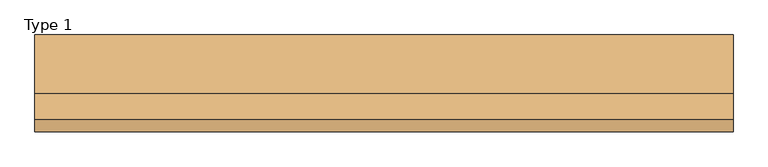
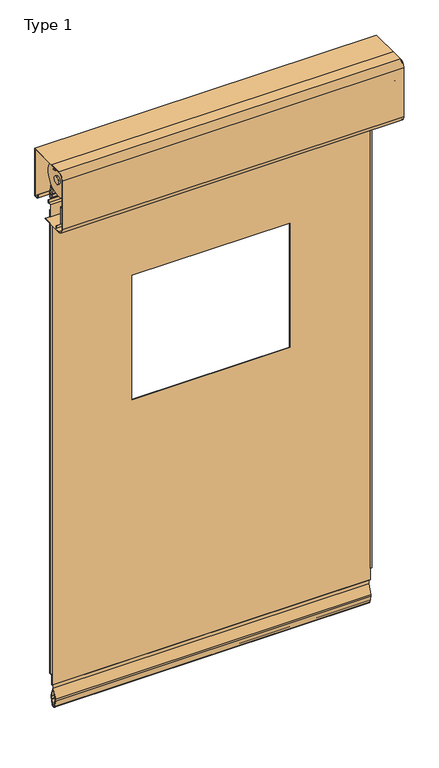
"""IFC4 building model written with IfcOpenShell, lengths in millimetres: door geometry, Type 1."""

from ifc_helpers import new_model, si_unit, point, frame, frame_2d, origin, place, context, project, spatial, polyline, circle_curve, trimmed, segment, composite_curve, outline, extrude, faceted_brep, source, transform, mapped, element, save
from ifc_brep_helpers import plane_surface, cylinder_surface, revolved_surface, advanced_brep


def type_1_1fddd1e6(model_context):
    return source(origin(), model_context, "Body", "SolidModel", [
        advanced_brep(
        [(647.7, -194.5, 2001.0), (647.7, -216.5, 2023.0), (647.7, -216.5, 2025.0), (647.7, -214.2, 2025.0), (647.7, -214.2, 2216.0), (647.7, -216.5, 2216.0), (647.7, -216.5, 2218.7), (647.7, -200.8030296, 2240.0), (647.7, -165.0, 2240.0), (647.7, -165.0, 2237.7), (647.7, -40.8, 2237.7), (647.7, -40.8, 2054.3), (647.7, -52.5, 2054.3), (647.7, -52.5, 2052.0), (647.7, -91.5, 2052.0), (647.7, -91.5, 2001.0), (647.7, -108.3, 2001.0), (647.7, -108.3, 2003.3), (647.7, -171.9, 2003.3), (647.7, -171.9, 2001.0), (647.7, -132.7, 2186.7), (647.7, -132.7, 2195.7), (647.7, -167.3410162, 2126.7), (647.7, -167.3410162, 2135.7), (647.7, -98.0589838, 2126.7), (647.7, -98.0589838, 2135.7), (650.0, -194.5, 2001.0), (650.0, -91.5, 2001.0), (650.0, -91.5, 2052.0), (650.0, -38.5, 2052.0), (650.0, -38.5, 2240.0), (650.0, -200.8030296, 2240.0), (650.0, -216.5, 2218.7), (650.0, -216.5, 2023.0), (650.0, -132.7, 2195.7), (650.0, -132.7, 2186.7), (650.0, -167.3410162, 2135.7), (650.0, -167.3410162, 2126.7), (650.0, -98.0589838, 2135.7), (650.0, -98.0589838, 2126.7), (629.7, -171.9, 2001.0), (629.7, -108.3, 2001.0), (629.7, -52.5, 2052.0), (629.7, -40.8, 2052.0), (584.0, -40.8, 2052.0), (584.0, -38.5, 2052.0), (584.0, -38.5, 2240.0), (616.7965975, -38.5, 2087.0750697), (623.2586937, -38.5, 2087.0737385), (623.2586937, -38.5, 2090.9721114), (616.7965975, -38.5, 2090.8962284), (616.7965975, -38.5, 2217.0561937), (623.2586937, -38.5, 2217.0548626), (623.2586937, -38.5, 2220.9532354), (616.7965975, -38.5, 2220.8773524), (584.0, -40.8, 2240.0), (629.7, -40.8, 2240.0), (629.7, -165.0, 2240.0), (629.7, -216.5, 2216.0), (629.7, -216.5, 2025.0), (629.7, -40.8, 2054.3), (629.7, -40.8, 2237.7), (623.2586937, -40.8, 2087.0737385), (616.7965975, -40.8, 2087.0750697), (616.7965975, -40.8, 2090.8962284), (623.2582481, -40.8, 2090.9721114), (623.2586937, -40.8, 2217.0548626), (616.7965975, -40.8, 2217.0561937), (616.7965975, -40.8, 2220.8773524), (623.2582481, -40.8, 2220.9532354), (629.7, -171.9, 2003.3), (629.7, -108.3, 2003.3), (629.7, -214.2, 2025.0), (629.7, -214.2, 2216.0), (629.7, -165.0, 2237.7), (629.7, -52.5, 2054.3)],
        [
            (0, 1, circle_curve(frame((647.7, -194.5, 2023.0), z_axis=(-1.0, 0.0, 0.0), x_axis=(0.0, 0.0, -1.0)), 22.0)),
            (1, 2),
            (2, 3),
            (3, 4),
            (4, 5),
            (5, 6),
            (6, 7, circle_curve(frame((647.7, -194.2, 2218.7), z_axis=(-1.0, 0.0, 0.0), x_axis=(0.0, 0.0, -1.0)), 22.3)),
            (7, 8),
            (8, 9),
            (9, 10),
            (10, 11),
            (11, 12),
            (12, 13),
            (13, 14),
            (14, 15),
            (15, 16),
            (16, 17),
            (17, 18),
            (18, 19),
            (19, 0),
            (20, 21, circle_curve(frame((647.7, -132.7, 2191.2), z_axis=(1.0, 0.0, 0.0), x_axis=(0.0, 0.0, -1.0)), 4.5)),
            (21, 20, circle_curve(frame((647.7, -132.7, 2191.2), z_axis=(1.0, 0.0, 0.0), x_axis=(0.0, 0.0, -1.0)), 4.5)),
            (22, 23, circle_curve(frame((647.7, -167.3410162, 2131.2), z_axis=(1.0, 0.0, 0.0), x_axis=(0.0, 0.0, -1.0)), 4.5)),
            (23, 22, circle_curve(frame((647.7, -167.3410162, 2131.2), z_axis=(1.0, 0.0, 0.0), x_axis=(0.0, 0.0, -1.0)), 4.5)),
            (24, 25, circle_curve(frame((647.7, -98.0589838, 2131.2), z_axis=(1.0, 0.0, 0.0), x_axis=(0.0, 0.0, -1.0)), 4.5)),
            (25, 24, circle_curve(frame((647.7, -98.0589838, 2131.2), z_axis=(1.0, 0.0, 0.0), x_axis=(0.0, 0.0, -1.0)), 4.5)),
            (26, 27),
            (27, 28),
            (28, 29),
            (29, 30),
            (30, 31),
            (31, 32, circle_curve(frame((650.0, -194.2, 2218.7), z_axis=(1.0, 0.0, 0.0), x_axis=(0.0, 0.0, -1.0)), 22.3)),
            (32, 33),
            (33, 26, circle_curve(frame((650.0, -194.5, 2023.0), z_axis=(1.0, 0.0, 0.0), x_axis=(0.0, 0.0, -1.0)), 22.0)),
            (34, 35, circle_curve(frame((650.0, -132.7, 2191.2), z_axis=(-1.0, 0.0, 0.0), x_axis=(0.0, 0.0, -1.0)), 4.5)),
            (35, 34, circle_curve(frame((650.0, -132.7, 2191.2), z_axis=(-1.0, 0.0, 0.0), x_axis=(0.0, 0.0, -1.0)), 4.5)),
            (36, 37, circle_curve(frame((650.0, -167.3410162, 2131.2), z_axis=(-1.0, 0.0, 0.0), x_axis=(0.0, 0.0, -1.0)), 4.5)),
            (37, 36, circle_curve(frame((650.0, -167.3410162, 2131.2), z_axis=(-1.0, 0.0, 0.0), x_axis=(0.0, 0.0, -1.0)), 4.5)),
            (38, 39, circle_curve(frame((650.0, -98.0589838, 2131.2), z_axis=(-1.0, 0.0, 0.0), x_axis=(0.0, 0.0, -1.0)), 4.5)),
            (39, 38, circle_curve(frame((650.0, -98.0589838, 2131.2), z_axis=(-1.0, 0.0, 0.0), x_axis=(0.0, 0.0, -1.0)), 4.5)),
            (26, 0),
            (19, 40),
            (40, 41),
            (41, 16),
            (15, 27),
            (14, 28),
            (13, 42),
            (42, 43),
            (43, 44),
            (44, 45),
            (45, 29),
            (45, 46),
            (46, 30),
            (47, 48, circle_curve(frame((620.0260861, -38.5, 2079.5035949), z_axis=(0.0, -1.0, 0.0), x_axis=(-0.3923351593881135, 0.0, 0.9198223321424109)), 8.2314535)),
            (48, 49),
            (49, 50, circle_curve(frame((620.0269772, -38.5, 2090.9721114), z_axis=(0.0, -1.0, 0.0), x_axis=(1.0, 0.0, 0.0)), 3.2312709)),
            (50, 47),
            (51, 52, circle_curve(frame((620.0260861, -38.5, 2209.484719), z_axis=(0.0, -1.0, 0.0), x_axis=(-0.3923351593880876, 0.0, 0.919822332142422)), 8.2314535)),
            (52, 53),
            (53, 54, circle_curve(frame((620.0269772, -38.5, 2220.9532354), z_axis=(0.0, -1.0, 0.0), x_axis=(1.0, 0.0, 0.0)), 3.2312709)),
            (54, 51),
            (7, 31),
            (46, 55),
            (55, 56),
            (56, 57),
            (57, 8),
            (32, 6),
            (5, 58),
            (58, 59),
            (59, 2),
            (1, 33),
            (44, 55),
            (43, 60),
            (60, 11),
            (10, 61),
            (61, 56),
            (62, 63, circle_curve(frame((620.0260861, -40.8, 2079.5035949), z_axis=(0.0, 1.0, 0.0), x_axis=(-0.3923351593881135, 0.0, 0.9198223321424109)), 8.2314535)),
            (63, 64),
            (64, 65, circle_curve(frame((620.0269772, -40.8, 2090.9721114), z_axis=(0.0, 1.0, 0.0), x_axis=(1.0, 0.0, 0.0)), 3.2312709)),
            (65, 62),
            (66, 67, circle_curve(frame((620.0260861, -40.8, 2209.484719), z_axis=(0.0, 1.0, 0.0), x_axis=(-0.3923351593880876, 0.0, 0.919822332142422)), 8.2314535)),
            (67, 68),
            (68, 69, circle_curve(frame((620.0269772, -40.8, 2220.9532354), z_axis=(0.0, 1.0, 0.0), x_axis=(1.0, 0.0, 0.0)), 3.2312709)),
            (69, 66),
            (40, 70),
            (70, 71),
            (71, 41),
            (71, 17),
            (70, 18),
            (72, 59),
            (58, 73),
            (73, 72),
            (73, 4),
            (3, 72),
            (74, 57),
            (61, 74),
            (74, 9),
            (47, 63),
            (62, 48),
            (50, 64),
            (49, 65),
            (51, 67),
            (66, 52),
            (54, 68),
            (53, 69),
            (42, 75),
            (75, 60),
            (75, 12),
            (20, 35),
            (34, 21),
            (22, 37),
            (36, 23),
            (24, 39),
            (38, 25),
        ],
        [
            plane_surface(frame((647.7, 266.3, 2001.0), z_axis=(-1.0, 0.0, 0.0), x_axis=(0.0, -1.0, 0.0))),
            plane_surface(frame((650.0, 266.3, 2001.0), z_axis=(1.0, 0.0, 0.0), x_axis=(0.0, 1.0, 0.0))),
            plane_surface(frame((650.0, -194.5, 2001.0), z_axis=(0.0, 0.0, -1.0), x_axis=(-1.0, 0.0, 0.0))),
            plane_surface(frame((650.0, -91.5, 2001.0), z_axis=(0.0, 1.0, 0.0), x_axis=(-1.0, 0.0, 0.0))),
            plane_surface(frame((650.0, -91.5, 2052.0), z_axis=(0.0, 0.0, -1.0), x_axis=(-1.0, 0.0, 0.0))),
            plane_surface(frame((650.0, -38.5, 2052.0), z_axis=(0.0, 1.0, 0.0), x_axis=(-1.0, 0.0, 0.0))),
            plane_surface(frame((650.0, -38.5, 2240.0), z_axis=(0.0, 0.0, 1.0), x_axis=(-1.0, 0.0, 0.0))),
            plane_surface(frame((650.0, -216.5, 2218.7), z_axis=(0.0, -1.0, 0.0), x_axis=(-1.0, 0.0, 0.0))),
            cylinder_surface(frame((647.7, -194.5, 2023.0), z_axis=(1.0, 0.0, 0.0), x_axis=(0.0, 0.0, -1.0)), 22.0),
            plane_surface(frame((584.0, -40.8, 3465.2630168), z_axis=(-1.0, 0.0, 0.0), x_axis=(0.0, 0.0, 1.0))),
            plane_surface(frame((650.0, -40.8, 2240.0), z_axis=(0.0, -1.0, 0.0), x_axis=(-1.0, 0.0, 0.0))),
            plane_surface(frame((629.7, -108.3, 2120.9011398), z_axis=(-1.0, 0.0, 0.0), x_axis=(0.0, 0.0, -1.0))),
            plane_surface(frame((647.7, -108.3, 2001.0), z_axis=(0.0, 1.0, 0.0), x_axis=(-1.0, 0.0, 0.0))),
            plane_surface(frame((647.7, -108.3, 2003.3), z_axis=(0.0, 0.0, 1.0), x_axis=(-1.0, 0.0, 0.0))),
            plane_surface(frame((647.7, -171.9, 2003.3), z_axis=(0.0, -1.0, 0.0), x_axis=(-1.0, 0.0, 0.0))),
            plane_surface(frame((629.7, -214.2, 2434.7159675), z_axis=(-1.0, 0.0, 0.0), x_axis=(0.0, 0.0, -1.0))),
            plane_surface(frame((647.7, -214.2, 2025.0), z_axis=(0.0, 1.0, 0.0), x_axis=(-1.0, 0.0, 0.0))),
            plane_surface(frame((647.7, -214.2, 2216.0), z_axis=(0.0, 0.0, 1.0), x_axis=(-1.0, 0.0, 0.0))),
            plane_surface(frame((647.7, -216.5, 2025.0), z_axis=(0.0, 0.0, -1.0), x_axis=(-1.0, 0.0, 0.0))),
            plane_surface(frame((629.7, -38.5, 3465.2630168), z_axis=(-1.0, 0.0, 0.0), x_axis=(0.0, 0.0, -1.0))),
            plane_surface(frame((647.7, -165.0, 2240.0), z_axis=(0.0, -1.0, 0.0), x_axis=(-1.0, 0.0, 0.0))),
            plane_surface(frame((647.7, -165.0, 2237.7), z_axis=(0.0, 0.0, -1.0), x_axis=(-1.0, 0.0, 0.0))),
            revolved_surface(polyline([(616.7965974790817, -38.5, 2087.075069655292), (616.7965974790817, -40.8, 2087.075069655292)]), (620.0260861, -40.8, 2079.5035949), (0.0, 1.0, 0.0)),
            plane_surface(frame((616.7965975, -38.5, 2087.0750697), z_axis=(1.0, 0.0, 0.0), x_axis=(0.0, -1.0, 0.0))),
            revolved_surface(polyline([(623.2582481000001, -38.5, 2090.9721114), (623.2582481000001, -40.8, 2090.9721114)]), (620.0269772, -40.8, 2090.9721114), (0.0, 1.0, 0.0)),
            plane_surface(frame((623.2586937, -38.5, 2090.9721114), z_axis=(-1.0, 0.0, 0.0), x_axis=(0.0, -1.0, 0.0))),
            revolved_surface(polyline([(616.7965974790819, -38.5, 2217.056193755292), (616.7965974790819, -40.8, 2217.056193755292)]), (620.0260861, -38.5, 2209.484719), (0.0, 1.0000000000000002, 0.0)),
            plane_surface(frame((616.7965975, -38.5, 2217.0561937), z_axis=(1.0, 0.0, 0.0), x_axis=(0.0, -1.0, 0.0))),
            revolved_surface(polyline([(623.2582481000001, -38.5, 2220.9532354), (623.2582481000001, -40.8, 2220.9532354)]), (620.0269772, -38.5, 2220.9532354), (0.0, 1.0, 0.0)),
            plane_surface(frame((623.2586937, -38.5, 2220.9532354), z_axis=(-1.0, 0.0, 0.0), x_axis=(0.0, -1.0, 0.0))),
            plane_surface(frame((629.7, -38.5, 3219.2), z_axis=(-1.0, 0.0, 0.0), x_axis=(0.0, 0.0, -1.0))),
            plane_surface(frame((647.7, -38.5, 2054.3), z_axis=(0.0, 0.0, 1.0), x_axis=(-1.0, 0.0, 0.0))),
            plane_surface(frame((647.7, -52.5, 2054.3), z_axis=(0.0, -1.0, 0.0), x_axis=(-1.0, 0.0, 0.0))),
            revolved_surface(polyline([(647.7, -132.7, 2186.7), (650.0, -132.7, 2186.7)]), (650.0, -132.7, 2191.2), (-1.0, 0.0, 0.0)),
            revolved_surface(polyline([(647.7, -167.3410162, 2126.7), (650.0, -167.3410162, 2126.7)]), (650.0, -167.3410162, 2131.2), (-1.0, 0.0, 0.0)),
            revolved_surface(polyline([(647.7, -98.0589838, 2126.7), (650.0, -98.0589838, 2126.7)]), (650.0, -98.0589838, 2131.2), (-1.0, 0.0, 0.0)),
            cylinder_surface(frame((647.7, -194.2, 2218.7), z_axis=(1.0, 0.0, 0.0), x_axis=(0.0, 0.0, -1.0)), 22.3),
        ],
        [
            (0, [[1, 2, 3, 4, 5, 6, 7, 8, 9, 10, 11, 12, 13, 14, 15, 16, 17, 18, 19, 20], [21, 22], [23, 24], [25, 26]]),
            (1, [[27, 28, 29, 30, 31, 32, 33, 34], [35, 36], [37, 38], [39, 40]]),
            (2, [[-27, 41, -20, 42, 43, 44, -16, 45]]),
            (3, [[-15, 46, -28, -45]]),
            (4, [[-46, -14, 47, 48, 49, 50, 51, -29]]),
            (5, [[-30, -51, 52, 53], [54, 55, 56, 57], [58, 59, 60, 61]]),
            (6, [[62, -31, -53, 63, 64, 65, 66, -8]]),
            (7, [[-33, 67, -6, 68, 69, 70, -2, 71]]),
            (8, [[-1, -41, -34, -71]]),
            (9, [[-63, -52, -50, 72]]),
            (10, [[-72, -49, 73, 74, -11, 75, 76, -64], [77, 78, 79, 80], [81, 82, 83, 84]]),
            (11, [[-43, 85, 86, 87]]),
            (12, [[-87, 88, -17, -44]]),
            (13, [[-86, 89, -18, -88]]),
            (14, [[-85, -42, -19, -89]]),
            (15, [[90, -69, 91, 92]]),
            (16, [[-92, 93, -4, 94]]),
            (17, [[-91, -68, -5, -93]]),
            (18, [[-90, -94, -3, -70]]),
            (19, [[95, -65, -76, 96]]),
            (20, [[-95, 97, -9, -66]]),
            (21, [[-97, -96, -75, -10]]),
            (22, [[98, -77, 99, -54]]),
            (23, [[-98, -57, 100, -78]]),
            (24, [[-100, -56, 101, -79]]),
            (25, [[-99, -80, -101, -55]]),
            (26, [[102, -81, 103, -58]]),
            (27, [[-102, -61, 104, -82]]),
            (28, [[-104, -60, 105, -83]]),
            (29, [[-103, -84, -105, -59]]),
            (30, [[106, 107, -73, -48]]),
            (31, [[108, -12, -74, -107]]),
            (32, [[-106, -47, -13, -108]]),
            (33, [[109, -35, 110, -21]]),
            (33, [[-109, -22, -110, -36]]),
            (34, [[111, -37, 112, -23]]),
            (34, [[-111, -24, -112, -38]]),
            (35, [[113, -39, 114, -25]]),
            (35, [[-113, -26, -114, -40]]),
            (36, [[-7, -67, -32, -62]]),
        ],
    ),
        extrude(outline(composite_curve([segment(trimmed(circle_curve(frame_2d((-132.7, 2161.2)), 14.9458539), [point((-132.7, 2146.2541461))], [point((-132.7, 2176.1458539))], False, "CARTESIAN"), True, "CONTINUOUS"), segment(trimmed(circle_curve(frame_2d((-132.7, 2161.2)), 14.9458539), [point((-132.7, 2176.1458539))], [point((-132.7, 2146.2541461))], False, "CARTESIAN"), True, "CONTINUOUS")], self_intersect=False)), frame((616.5, 0.0, 0.0), z_axis=(1.0, 0.0, 0.0), x_axis=(0.0, 1.0, 0.0)), (0.0, 0.0, 1.0), 6.2),
        extrude(outline(composite_curve([segment(trimmed(circle_curve(frame_2d((-132.7, 2161.2)), 15.0), [point((-132.7, 2146.2))], [point((-132.7, 2176.2))], False, "CARTESIAN"), True, "CONTINUOUS"), segment(trimmed(circle_curve(frame_2d((-132.7, 2161.2)), 15.0), [point((-132.7, 2176.2))], [point((-132.7, 2146.2))], False, "CARTESIAN"), True, "CONTINUOUS")], self_intersect=False)), frame((-622.7, 0.0, 0.0), z_axis=(1.0, 0.0, 0.0), x_axis=(0.0, 1.0, 0.0)), (0.0, 0.0, 1.0), 6.2),
        extrude(outline(composite_curve([segment(trimmed(circle_curve(frame_2d((-132.7, 2161.2)), 41.0), [point((-161.691378, 2190.191378))], [point((-92.8111239, 2170.6803776))], False, "CARTESIAN"), True, "CONTINUOUS"), segment(polyline([(-92.8111239, 2170.6803776), (-69.9110194, 2066.922707)]), True, "CONTINUOUS"), segment(trimmed(circle_curve(frame_2d((-95.3, 2061.3191665)), 26.0), [point((-69.9110194, 2066.922707))], [point((-69.3, 2061.3191665))], False, "CARTESIAN"), True, "CONTINUOUS"), segment(polyline([(-69.3, 2061.3191665), (-69.3, 2051.0), (-75.3, 2051.0), (-75.3, 2061.3191665)]), True, "CONTINUOUS"), segment(trimmed(circle_curve(frame_2d((-95.3, 2061.3191665)), 20.0), [point((-75.3, 2061.3191665))], [point((-75.7700149, 2065.6295823))], True, "CARTESIAN"), True, "CONTINUOUS"), segment(polyline([(-75.7700149, 2065.6295823), (-98.6592876, 2169.3381754)]), True, "CONTINUOUS"), segment(trimmed(circle_curve(frame_2d((-132.7, 2161.2)), 35.0), [point((-98.6592876, 2169.3381754))], [point((-157.4487373, 2185.9487373))], True, "CARTESIAN"), True, "CONTINUOUS"), segment(polyline([(-157.4487373, 2185.9487373), (-161.691378, 2190.191378)]), True, "CONTINUOUS")], self_intersect=False)), frame((605.5, 0.0, 0.0), z_axis=(1.0, 0.0, 0.0), x_axis=(0.0, 1.0, 0.0)), (0.0, 0.0, 1.0), 6.0),
        extrude(outline(composite_curve([segment(trimmed(circle_curve(frame_2d((-132.7, 2161.2)), 35.0), [point((-98.6592876, 2169.3381754))], [point((-157.4487373, 2185.9487373))], True, "CARTESIAN"), True, "CONTINUOUS"), segment(polyline([(-157.4487373, 2185.9487373), (-161.691378, 2190.191378)]), True, "CONTINUOUS"), segment(trimmed(circle_curve(frame_2d((-132.7, 2161.2)), 41.0), [point((-161.691378, 2190.191378))], [point((-92.8111239, 2170.6803776))], False, "CARTESIAN"), True, "CONTINUOUS"), segment(polyline([(-92.8111239, 2170.6803776), (-69.9110194, 2066.922707)]), True, "CONTINUOUS"), segment(trimmed(circle_curve(frame_2d((-95.3, 2061.3191665)), 26.0), [point((-69.9110194, 2066.922707))], [point((-69.3, 2061.3191665))], False, "CARTESIAN"), True, "CONTINUOUS"), segment(polyline([(-69.3, 2061.3191665), (-69.3, 2051.0), (-75.3, 2051.0), (-75.3, 2061.3191665)]), True, "CONTINUOUS"), segment(trimmed(circle_curve(frame_2d((-95.3, 2061.3191665)), 20.0), [point((-75.3, 2061.3191665))], [point((-75.7700149, 2065.6295823))], True, "CARTESIAN"), True, "CONTINUOUS"), segment(polyline([(-75.7700149, 2065.6295823), (-98.6592876, 2169.3381754)]), True, "CONTINUOUS")], self_intersect=False)), frame((-611.5, 0.0, 0.0), z_axis=(1.0, 0.0, 0.0), x_axis=(0.0, 1.0, 0.0)), (0.0, 0.0, 1.0), 6.0),
        advanced_brep(
        [(605.5, -96.714104, 2169.803214), (605.5, -73.8170047, 2066.0606967), (605.5, -73.3, 2061.3191665), (605.5, -73.3, 2051.0), (605.5, -71.3, 2051.0), (605.5, -71.3, 2061.3191665), (605.5, -71.8640502, 2066.4918116), (605.5, -94.7689205, 2170.2682526), (605.5, -160.2771645, 2188.7771645), (605.5, -158.8629509, 2187.3629509), (-605.5, -96.714104, 2169.803214), (-605.5, -158.8629509, 2187.3629509), (-605.5, -160.2771645, 2188.7771645), (-605.5, -94.7689205, 2170.2682526), (-605.5, -71.8639971, 2066.4918233), (-605.5, -71.3, 2061.3191665), (-605.5, -71.3, 2051.0), (-605.5, -73.3, 2051.0), (-605.5, -73.3, 2061.3191665), (-605.5, -73.8170312, 2066.0606909)],
        [
            (0, 1),
            (1, 2, circle_curve(frame((605.5, -95.3, 2061.3191665), z_axis=(-1.0, 0.0, 0.0), x_axis=(0.0, 0.0, 1.0)), 22.0)),
            (2, 3),
            (3, 4),
            (4, 5),
            (5, 6, circle_curve(frame((605.5, -95.3, 2061.3191665), z_axis=(1.0, 0.0, 0.0), x_axis=(0.0, 0.0, 1.0)), 24.0)),
            (6, 7),
            (7, 8, circle_curve(frame((605.5, -132.7, 2161.2), z_axis=(1.0, 0.0, 0.0), x_axis=(0.0, 0.0, 1.0)), 39.0)),
            (8, 9),
            (9, 0, circle_curve(frame((605.5, -132.7, 2161.2), z_axis=(-1.0, 0.0, 0.0), x_axis=(0.0, 0.0, 1.0)), 37.0)),
            (10, 11, circle_curve(frame((-605.5, -132.7, 2161.2), z_axis=(1.0, 0.0, 0.0), x_axis=(0.0, 0.0, 1.0)), 37.0)),
            (11, 12),
            (12, 13, circle_curve(frame((-605.5, -132.7, 2161.2), z_axis=(-1.0, 0.0, 0.0), x_axis=(0.0, 0.0, 1.0)), 39.0)),
            (13, 14),
            (14, 15, circle_curve(frame((-605.5, -95.3, 2061.3191665), z_axis=(-1.0, 0.0, 0.0), x_axis=(0.0, 0.0, 1.0)), 24.0)),
            (15, 16),
            (16, 17),
            (17, 18),
            (18, 19, circle_curve(frame((-605.5, -95.3, 2061.3191665), z_axis=(1.0, 0.0, 0.0), x_axis=(0.0, 0.0, 1.0)), 22.0)),
            (19, 10),
            (0, 10),
            (19, 1),
            (2, 18),
            (17, 3),
            (16, 4),
            (15, 5),
            (6, 14),
            (13, 7),
            (12, 8),
            (11, 9),
        ],
        [
            plane_surface(frame((605.5, -96.714104, 2169.803214), z_axis=(1.0, 0.0, 0.0), x_axis=(0.0, 0.21552383354340562, -0.9764985802215763))),
            plane_surface(frame((-605.5, -96.714104, 2169.803214), z_axis=(-1.0, 0.0, 0.0), x_axis=(0.0, -0.21552383354340562, 0.9764985802215763))),
            plane_surface(frame((605.5, -96.714104, 2169.803214), z_axis=(0.0, -0.9764985802215763, -0.21552383354340562), x_axis=(-1.0, 0.0, 0.0))),
            plane_surface(frame((605.5, -73.3, 2061.3191665), z_axis=(0.0, -1.0, 0.0), x_axis=(-1.0, 0.0, 0.0))),
            plane_surface(frame((605.5, -73.3, 2051.0), z_axis=(0.0, 0.0, -1.0), x_axis=(-1.0, 0.0, 0.0))),
            plane_surface(frame((605.5, -71.3, 2051.0), z_axis=(0.0, 1.0, 0.0), x_axis=(-1.0, 0.0, 0.0))),
            plane_surface(frame((605.5, -71.8639971, 2066.4918233), z_axis=(0.0, 0.9764979083313272, 0.2155268777311612), x_axis=(-1.0, 0.0, 0.0))),
            cylinder_surface(frame((-605.5, -132.7, 2161.2), z_axis=(1.0, 0.0, 0.0), x_axis=(0.0, 0.0, 1.0)), 39.0),
            plane_surface(frame((605.5, -160.2771645, 2188.7771645), z_axis=(0.0, -0.7071067811864714, -0.7071067811866236), x_axis=(-1.0, 0.0, 0.0))),
            revolved_surface(polyline([(-605.5, -132.7, 2198.2), (605.5, -132.7, 2198.2)]), (-605.5, -132.7, 2161.2), (-1.0, 0.0, 0.0)),
            revolved_surface(polyline([(-605.5, -95.3, 2083.3191665), (605.5, -95.3, 2083.3191665)]), (-605.5, -95.3, 2061.3191665), (-1.0, 0.0, 0.0)),
            cylinder_surface(frame((-605.5, -95.3, 2061.3191665), z_axis=(1.0, 0.0, 0.0), x_axis=(0.0, 0.0, 1.0)), 24.0),
        ],
        [
            (0, [[1, 2, 3, 4, 5, 6, 7, 8, 9, 10]]),
            (1, [[11, 12, 13, 14, 15, 16, 17, 18, 19, 20]]),
            (2, [[-1, 21, -20, 22]]),
            (3, [[-3, 23, -18, 24]]),
            (4, [[-4, -24, -17, 25]]),
            (5, [[-5, -25, -16, 26]]),
            (6, [[-7, 27, -14, 28]]),
            (7, [[-8, -28, -13, 29]]),
            (8, [[-9, -29, -12, 30]]),
            (9, [[-10, -30, -11, -21]]),
            (10, [[-2, -22, -19, -23]]),
            (11, [[-6, -26, -15, -27]]),
        ],
    ),
        advanced_brep(
        [(605.5, -132.7, 2126.2), (605.5, -132.7, 2196.2), (611.5, -132.7, 2126.2), (611.5, -132.7, 2196.2), (611.5, -132.7, 2096.2), (611.5, -132.7, 2226.2), (616.5, -132.7, 2096.2), (616.5, -132.7, 2226.2)],
        [
            (0, 1, circle_curve(frame((605.5, -132.7, 2161.2), z_axis=(-1.0, 0.0, 0.0), x_axis=(0.0, 0.0, 1.0)), 35.0)),
            (1, 0, circle_curve(frame((605.5, -132.7, 2161.2), z_axis=(-1.0, 0.0, 0.0), x_axis=(0.0, 0.0, 1.0)), 35.0)),
            (0, 2),
            (2, 3, circle_curve(frame((611.5, -132.7, 2161.2), z_axis=(-1.0, 0.0, 0.0), x_axis=(0.0, 0.0, 1.0)), 35.0)),
            (3, 1),
            (3, 2, circle_curve(frame((611.5, -132.7, 2161.2), z_axis=(-1.0, 0.0, 0.0), x_axis=(0.0, 0.0, 1.0)), 35.0)),
            (4, 5, circle_curve(frame((611.5, -132.7, 2161.2), z_axis=(-1.0, 0.0, 0.0), x_axis=(0.0, 0.0, 1.0)), 65.0)),
            (5, 4, circle_curve(frame((611.5, -132.7, 2161.2), z_axis=(-1.0, 0.0, 0.0), x_axis=(0.0, 0.0, 1.0)), 65.0)),
            (6, 7, circle_curve(frame((616.5, -132.7, 2161.2), z_axis=(1.0, 0.0, 0.0), x_axis=(0.0, 0.0, 1.0)), 65.0)),
            (7, 6, circle_curve(frame((616.5, -132.7, 2161.2), z_axis=(1.0, 0.0, 0.0), x_axis=(0.0, 0.0, 1.0)), 65.0)),
            (4, 6),
            (7, 5),
        ],
        [
            plane_surface(frame((605.5, -132.7, 2196.2), z_axis=(-1.0, 0.0, 0.0), x_axis=(0.0, 1.0, 0.0))),
            cylinder_surface(frame((611.5, -132.7, 2161.2), z_axis=(-1.0, 0.0, 0.0), x_axis=(0.0, 0.0, 1.0)), 35.0),
            plane_surface(frame((611.5, -132.7, 2226.2), z_axis=(-1.0, 0.0, 0.0), x_axis=(0.0, 1.0, 0.0))),
            plane_surface(frame((616.5, -132.7, 2226.2), z_axis=(1.0, 0.0, 0.0), x_axis=(0.0, -1.0, 0.0))),
            cylinder_surface(frame((616.5, -132.7, 2161.2), z_axis=(-1.0, 0.0, 0.0), x_axis=(0.0, 0.0, 1.0)), 65.0),
        ],
        [
            (0, [[1, 2]]),
            (1, [[-1, 3, 4, 5]]),
            (1, [[-2, -5, 6, -3]]),
            (2, [[7, 8], [-4, -6]]),
            (3, [[9, 10]]),
            (4, [[-7, 11, -10, 12]]),
            (4, [[-8, -12, -9, -11]]),
        ],
    ),
        advanced_brep(
        [(-605.5, -132.7, 2126.2), (-605.5, -132.7, 2196.2), (-611.5, -132.7, 2126.2), (-611.5, -132.7, 2196.2), (-611.5, -132.7, 2096.2), (-611.5, -132.7, 2226.2), (-616.5, -132.7, 2096.2), (-616.5, -132.7, 2226.2)],
        [
            (0, 1, circle_curve(frame((-605.5, -132.7, 2161.2), z_axis=(1.0, 0.0, 0.0), x_axis=(0.0, 0.0, 1.0)), 35.0)),
            (1, 0, circle_curve(frame((-605.5, -132.7, 2161.2), z_axis=(1.0, 0.0, 0.0), x_axis=(0.0, 0.0, 1.0)), 35.0)),
            (0, 2),
            (2, 3, circle_curve(frame((-611.5, -132.7, 2161.2), z_axis=(1.0, 0.0, 0.0), x_axis=(0.0, 0.0, 1.0)), 35.0)),
            (3, 1),
            (3, 2, circle_curve(frame((-611.5, -132.7, 2161.2), z_axis=(1.0, 0.0, 0.0), x_axis=(0.0, 0.0, 1.0)), 35.0)),
            (4, 5, circle_curve(frame((-611.5, -132.7, 2161.2), z_axis=(1.0, 0.0, 0.0), x_axis=(0.0, 0.0, 1.0)), 65.0)),
            (5, 4, circle_curve(frame((-611.5, -132.7, 2161.2), z_axis=(1.0, 0.0, 0.0), x_axis=(0.0, 0.0, 1.0)), 65.0)),
            (6, 7, circle_curve(frame((-616.5, -132.7, 2161.2), z_axis=(-1.0, 0.0, 0.0), x_axis=(0.0, 0.0, 1.0)), 65.0)),
            (7, 6, circle_curve(frame((-616.5, -132.7, 2161.2), z_axis=(-1.0, 0.0, 0.0), x_axis=(0.0, 0.0, 1.0)), 65.0)),
            (4, 6),
            (7, 5),
        ],
        [
            plane_surface(frame((-605.5, -132.7, 2196.2), z_axis=(1.0, 0.0, 0.0), x_axis=(0.0, -1.0, 0.0))),
            cylinder_surface(frame((-611.5, -132.7, 2161.2), z_axis=(1.0, 0.0, 0.0), x_axis=(0.0, 0.0, 1.0)), 35.0),
            plane_surface(frame((-611.5, -132.7, 2226.2), z_axis=(1.0, 0.0, 0.0), x_axis=(0.0, -1.0, 0.0))),
            plane_surface(frame((-616.5, -132.7, 2226.2), z_axis=(-1.0, 0.0, 0.0), x_axis=(0.0, 1.0, 0.0))),
            cylinder_surface(frame((-616.5, -132.7, 2161.2), z_axis=(1.0, 0.0, 0.0), x_axis=(0.0, 0.0, 1.0)), 65.0),
        ],
        [
            (0, [[1, 2]]),
            (1, [[-1, 3, 4, 5]]),
            (1, [[-2, -5, 6, -3]]),
            (2, [[7, 8], [-4, -6]]),
            (3, [[9, 10]]),
            (4, [[-7, 11, -10, 12]]),
            (4, [[-8, -12, -9, -11]]),
        ],
    ),
        extrude(outline(composite_curve([segment(trimmed(circle_curve(frame_2d((-132.7, 2161.2)), 35.0), [point((-132.7, 2126.2))], [point((-132.7, 2196.2))], False, "CARTESIAN"), True, "CONTINUOUS"), segment(trimmed(circle_curve(frame_2d((-132.7, 2161.2)), 35.0), [point((-132.7, 2196.2))], [point((-132.7, 2126.2))], False, "CARTESIAN"), True, "CONTINUOUS")], self_intersect=False)), frame((-605.5, 0.0, 0.0), z_axis=(1.0, 0.0, 0.0), x_axis=(0.0, 1.0, 0.0)), (0.0, 0.0, 1.0), 1211.0),
        faceted_brep([(629.7, -172.9, 2079.0), (629.7, -172.9, 2001.0), (629.7, -171.9, 2001.0), (629.7, -171.9, 2080.0), (629.7, -215.5, 2080.0), (629.7, -215.5, 2091.0), (629.7, -216.5, 2091.0), (629.7, -216.5, 2079.0), (629.7, -106.1, 2001.0), (629.7, -106.1, 2048.0), (629.7, -91.5, 2048.0), (629.7, -91.5, 2060.5), (629.7, -92.5, 2060.5), (629.7, -92.5, 2049.0), (629.7, -107.1, 2049.0), (629.7, -107.1, 2001.0), (-629.7, -172.9, 2079.0), (-629.7, -216.5, 2079.0), (-629.7, -216.5, 2091.0), (-629.7, -215.5, 2091.0), (-629.7, -215.5, 2080.0), (-629.7, -171.9, 2080.0), (-629.7, -171.9, 2001.0), (-629.7, -172.9, 2001.0), (-629.7, -107.1, 2001.0), (-629.7, -107.1, 2049.0), (-629.7, -92.5, 2049.0), (-629.7, -92.5, 2060.5), (-629.7, -91.5, 2060.5), (-629.7, -91.5, 2048.0), (-629.7, -106.1, 2048.0), (-629.7, -106.1, 2001.0), (-650.0, -172.9, 2001.0), (-650.0, -172.9, 2000.0), (650.0, -172.9, 2000.0), (650.0, -172.9, 2001.0), (650.0, -106.1, 2001.0), (650.0, -106.1, 2000.0), (-650.0, -106.1, 2000.0), (-650.0, -106.1, 2001.0)], [[[0, 1, 2, 3, 4, 5, 6, 7]], [[8, 9, 10, 11, 12, 13, 14, 15]], [[16, 17, 18, 19, 20, 21, 22, 23]], [[24, 25, 26, 27, 28, 29, 30, 31]], [[0, 7, 17, 16]], [[7, 6, 18, 17]], [[6, 5, 19, 18]], [[5, 4, 20, 19]], [[4, 3, 21, 20]], [[3, 2, 22, 21]], [[1, 0, 16, 23, 32, 33, 34, 35]], [[15, 14, 25, 24]], [[14, 13, 26, 25]], [[13, 12, 27, 26]], [[12, 11, 28, 27]], [[11, 10, 29, 28]], [[10, 9, 30, 29]], [[9, 8, 36, 37, 38, 39, 31, 30]], [[34, 37, 36, 35]], [[33, 32, 39, 38]], [[35, 36, 8, 15, 24, 31, 39, 32, 23, 22, 2, 1]], [[37, 34, 33, 38]]]),
        advanced_brep(
        [(650.0, -194.2, 2242.0), (650.0, -217.5, 2218.7), (650.0, -217.5, 2023.0), (650.0, -194.5, 2000.0), (650.0, -172.9, 2000.0), (650.0, -172.9, 2001.0), (650.0, -194.5, 2001.0), (650.0, -216.5, 2023.0), (650.0, -216.5, 2218.7), (650.0, -194.2, 2241.0), (650.0, -147.5, 2241.0), (650.0, -147.5, 2242.0), (-650.0, -194.2, 2242.0), (-650.0, -147.5, 2242.0), (-650.0, -147.5, 2241.0), (-650.0, -194.2, 2241.0), (-650.0, -216.5, 2218.7), (-650.0, -216.5, 2023.0), (-650.0, -194.5, 2001.0), (-650.0, -172.9, 2001.0), (-650.0, -172.9, 2000.0), (-650.0, -194.5, 2000.0), (-650.0, -217.5, 2023.0), (-650.0, -217.5, 2218.7), (647.7, -172.9, 2001.0), (647.7, -173.9, 2001.0), (-647.7, -173.9, 2001.0), (-647.7, -172.9, 2001.0), (-647.7, -172.9, 2011.0), (647.7, -172.9, 2011.0), (647.7, -173.9, 2011.0), (-647.7, -173.9, 2011.0)],
        [
            (0, 1, circle_curve(frame((650.0, -194.2, 2218.7), z_axis=(1.0, 0.0, 0.0), x_axis=(0.0, 0.0, -1.0)), 23.3)),
            (1, 2),
            (2, 3, circle_curve(frame((650.0, -194.5, 2023.0), z_axis=(1.0, 0.0, 0.0), x_axis=(0.0, 0.0, -1.0)), 23.0)),
            (3, 4),
            (4, 5),
            (5, 6),
            (6, 7, circle_curve(frame((650.0, -194.5, 2023.0), z_axis=(-1.0, 0.0, 0.0), x_axis=(0.0, 0.0, -1.0)), 22.0)),
            (7, 8),
            (8, 9, circle_curve(frame((650.0, -194.2, 2218.7), z_axis=(-1.0, 0.0, 0.0), x_axis=(0.0, 0.0, -1.0)), 22.3)),
            (9, 10),
            (10, 11),
            (11, 0),
            (12, 13),
            (13, 14),
            (14, 15),
            (15, 16, circle_curve(frame((-650.0, -194.2, 2218.7), z_axis=(1.0, 0.0, 0.0), x_axis=(0.0, 0.0, -1.0)), 22.3)),
            (16, 17),
            (17, 18, circle_curve(frame((-650.0, -194.5, 2023.0), z_axis=(1.0, 0.0, 0.0), x_axis=(0.0, 0.0, -1.0)), 22.0)),
            (18, 19),
            (19, 20),
            (20, 21),
            (21, 22, circle_curve(frame((-650.0, -194.5, 2023.0), z_axis=(-1.0, 0.0, 0.0), x_axis=(0.0, 0.0, -1.0)), 23.0)),
            (22, 23),
            (23, 12, circle_curve(frame((-650.0, -194.2, 2218.7), z_axis=(-1.0, 0.0, 0.0), x_axis=(0.0, 0.0, -1.0)), 23.3)),
            (11, 13),
            (12, 0),
            (10, 14),
            (9, 15),
            (8, 16),
            (7, 17),
            (6, 18),
            (5, 24),
            (24, 25),
            (25, 26),
            (26, 27),
            (27, 19),
            (3, 21),
            (20, 4),
            (2, 22),
            (1, 23),
            (27, 28),
            (28, 29),
            (29, 24),
            (29, 30),
            (30, 25),
            (26, 31),
            (31, 28),
            (30, 31),
        ],
        [
            plane_surface(frame((650.0, -147.5, 2242.0), z_axis=(1.0, 0.0, 0.0), x_axis=(0.0, -1.0, 0.0))),
            plane_surface(frame((-650.0, -147.5, 2242.0), z_axis=(-1.0, 0.0, 0.0), x_axis=(0.0, 1.0, 0.0))),
            plane_surface(frame((-650.0, -194.2, 2242.0), z_axis=(0.0, 0.0, 1.0), x_axis=(1.0, 0.0, 0.0))),
            plane_surface(frame((-650.0, -147.5, 2242.0), z_axis=(0.0, 1.0, 0.0), x_axis=(1.0, 0.0, 0.0))),
            plane_surface(frame((-650.0, -147.5, 2241.0), z_axis=(0.0, 0.0, -1.0), x_axis=(1.0, 0.0, 0.0))),
            revolved_surface(polyline([(650.0, -194.2, 2196.3999999999996), (-650.0, -194.2, 2196.3999999999996)]), (650.0, -194.2, 2218.7), (1.0, 0.0, 0.0)),
            plane_surface(frame((-650.0, -216.5, 2218.7), z_axis=(0.0, 1.0, 0.0), x_axis=(1.0, 0.0, 0.0))),
            revolved_surface(polyline([(650.0, -194.5, 2001.0), (-650.0, -194.5, 2001.0)]), (650.0, -194.5, 2023.0), (1.0, 0.0, 0.0)),
            plane_surface(frame((-650.0, -194.5, 2001.0), z_axis=(0.0, 0.0, 1.0), x_axis=(1.0, 0.0, 0.0))),
            plane_surface(frame((-650.0, -172.9, 2000.0), z_axis=(0.0, 0.0, -1.0), x_axis=(1.0, 0.0, 0.0))),
            cylinder_surface(frame((650.0, -194.5, 2023.0), z_axis=(-1.0, 0.0, 0.0), x_axis=(0.0, 0.0, -1.0)), 23.0),
            plane_surface(frame((-650.0, -217.5, 2023.0), z_axis=(0.0, -1.0, 0.0), x_axis=(1.0, 0.0, 0.0))),
            cylinder_surface(frame((650.0, -194.2, 2218.7), z_axis=(-1.0, 0.0, 0.0), x_axis=(0.0, 0.0, -1.0)), 23.3),
            plane_surface(frame((-650.0, -172.9, 2001.0), z_axis=(0.0, 1.0, 0.0), x_axis=(1.0, 0.0, 0.0))),
            plane_surface(frame((647.7, -172.9, 2001.0), z_axis=(1.0, 0.0, 0.0), x_axis=(0.0, 1.0, 0.0))),
            plane_surface(frame((-647.7, -172.9, 2001.0), z_axis=(-1.0, 0.0, 0.0), x_axis=(0.0, -1.0, 0.0))),
            plane_surface(frame((-647.7, -173.9, 2001.0), z_axis=(0.0, -1.0, 0.0), x_axis=(1.0, 0.0, 0.0))),
            plane_surface(frame((-647.7, -173.9, 2011.0), z_axis=(0.0, 0.0, 1.0), x_axis=(1.0, 0.0, 0.0))),
        ],
        [
            (0, [[1, 2, 3, 4, 5, 6, 7, 8, 9, 10, 11, 12]]),
            (1, [[13, 14, 15, 16, 17, 18, 19, 20, 21, 22, 23, 24]]),
            (2, [[-12, 25, -13, 26]]),
            (3, [[-11, 27, -14, -25]]),
            (4, [[-10, 28, -15, -27]]),
            (5, [[-9, 29, -16, -28]]),
            (6, [[-8, 30, -17, -29]]),
            (7, [[-7, 31, -18, -30]]),
            (8, [[-6, 32, 33, 34, 35, 36, -19, -31]]),
            (9, [[-4, 37, -21, 38]]),
            (10, [[-3, 39, -22, -37]]),
            (11, [[-2, 40, -23, -39]]),
            (12, [[-1, -26, -24, -40]]),
            (13, [[-5, -38, -20, -36, 41, 42, 43, -32]]),
            (14, [[-43, 44, 45, -33]]),
            (15, [[46, 47, -41, -35]]),
            (16, [[-45, 48, -46, -34]]),
            (17, [[-44, -42, -47, -48]]),
        ],
    ),
        faceted_brep([(647.7, -167.5, 2228.5), (647.7, -155.0, 2228.5), (647.7, -155.0, 2229.5), (647.7, -166.5, 2229.5), (647.7, -166.5, 2240.0), (647.7, -167.5, 2240.0), (-647.7, -167.5, 2228.5), (-647.7, -167.5, 2240.0), (-647.7, -166.5, 2240.0), (-647.7, -166.5, 2229.5), (-647.7, -155.0, 2229.5), (-647.7, -155.0, 2228.5), (650.0, -167.5, 2240.0), (650.0, -167.5, 2241.0), (-650.0, -167.5, 2241.0), (-650.0, -167.5, 2240.0), (650.0, -38.5, 2240.0), (650.0, -38.5, 2052.0), (650.0, -54.5, 2052.0), (650.0, -54.5, 2051.0), (650.0, -37.5, 2051.0), (650.0, -37.5, 2241.0), (-650.0, -37.5, 2241.0), (-650.0, -37.5, 2051.0), (-650.0, -54.5, 2051.0), (-650.0, -54.5, 2052.0), (-650.0, -38.5, 2052.0), (-650.0, -38.5, 2240.0), (647.7, -54.5, 2052.0), (647.7, -54.5, 2063.5), (-647.7, -54.5, 2063.5), (-647.7, -54.5, 2052.0), (-647.7, -53.5, 2052.0), (647.7, -53.5, 2052.0), (647.7, -53.5, 2063.5), (-647.7, -53.5, 2063.5)], [[[0, 1, 2, 3, 4, 5]], [[6, 7, 8, 9, 10, 11]], [[0, 5, 12, 13, 14, 15, 7, 6]], [[4, 3, 9, 8]], [[3, 2, 10, 9]], [[2, 1, 11, 10]], [[1, 0, 6, 11]], [[13, 12, 16, 17, 18, 19, 20, 21]], [[14, 22, 23, 24, 25, 26, 27, 15]], [[13, 21, 22, 14]], [[21, 20, 23, 22]], [[20, 19, 24, 23]], [[19, 18, 28, 29, 30, 31, 25, 24]], [[18, 17, 26, 25, 31, 32, 33, 28]], [[17, 16, 27, 26]], [[16, 12, 5, 4, 8, 7, 15, 27]], [[33, 34, 29, 28]], [[31, 30, 35, 32]], [[29, 34, 35, 30]], [[34, 33, 32, 35]]]),
        extrude(outline(composite_curve([segment(polyline([(-71.3, 75.7990795), (-57.9058086, 39.995936)]), True, "CONTINUOUS"), segment(trimmed(circle_curve(frame_2d((-72.0994395, 35.9247193)), 14.7659732), [point((-57.9058086, 39.995936))], [point((-57.8375775, 32.0993755))], False, "CARTESIAN"), True, "CONTINUOUS"), segment(polyline([(-57.8375775, 32.0993755), (-65.0474152, 5.5894992)]), True, "CONTINUOUS"), segment(trimmed(circle_curve(frame_2d((-72.3, 7.5)), 7.5), [point((-65.0474152, 5.5894992))], [point((-79.5525848, 5.5894992))], False, "CARTESIAN"), True, "CONTINUOUS"), segment(polyline([(-79.5525848, 5.5894992), (-86.8658656, 32.2159651)]), True, "CONTINUOUS"), segment(trimmed(circle_curve(frame_2d((-72.1000109, 36.0363361)), 15.252072), [point((-86.8658656, 32.2159651))], [point((-86.8566232, 39.8922528))], False, "CARTESIAN"), True, "CONTINUOUS"), segment(polyline([(-86.8566232, 39.8922528), (-73.3, 75.8478192), (-73.3, 90.0), (-71.3, 90.0), (-71.3, 75.7990795)]), True, "CONTINUOUS")], self_intersect=False), holes=[composite_curve([segment(polyline([(-58.4092205, 40.0025665), (-71.5, 74.9280565), (-61.5418549, 38.8396303)]), True, "CONTINUOUS"), segment(trimmed(circle_curve(frame_2d((-70.8741842, 35.9574128)), 9.7672692), [point((-61.5418549, 38.8396303))], [point((-61.1232416, 35.3929079))], False, "CARTESIAN"), True, "CONTINUOUS"), segment(trimmed(circle_curve(frame_2d((-132.1330034, 39.6834004)), 71.1392619), [point((-61.1232416, 35.3929079))], [point((-62.3597793, 25.8092594))], False, "CARTESIAN"), True, "CONTINUOUS"), segment(trimmed(circle_curve(frame_2d((-72.101805, 28.0677842)), 10.0004), [point((-62.3597793, 25.8092594))], [point((-62.7596846, 24.4994813))], False, "CARTESIAN"), True, "CONTINUOUS"), segment(polyline([(-62.7596846, 24.4994813), (-66.6815702, 11.7310346)]), True, "CONTINUOUS"), segment(trimmed(circle_curve(frame_2d((-72.1, 13.8)), 5.8), [point((-66.6815702, 11.7310346))], [point((-77.5184298, 11.7310346))], False, "CARTESIAN"), True, "CONTINUOUS"), segment(polyline([(-77.5184298, 11.7310346), (-81.4312059, 21.9782345)]), True, "CONTINUOUS"), segment(trimmed(circle_curve(frame_2d((-72.0890855, 25.5454163)), 10.0), [point((-81.4312059, 21.9782345))], [point((-81.8396891, 23.326018))], False, "CARTESIAN"), True, "CONTINUOUS"), segment(trimmed(circle_curve(frame_2d((-22.6492861, 38.761828)), 61.1699929), [point((-81.8396891, 23.326018))], [point((-83.6997322, 34.9393855))], False, "CARTESIAN"), True, "CONTINUOUS"), segment(trimmed(circle_curve(frame_2d((-73.4712246, 35.6212942)), 10.2512131), [point((-83.6997322, 34.9393855))], [point((-83.3592569, 38.3257694))], False, "CARTESIAN"), True, "CONTINUOUS"), segment(polyline([(-83.3592569, 38.3257694), (-73.1, 74.9320019), (-86.3535764, 39.8986694)]), True, "CONTINUOUS"), segment(trimmed(circle_curve(frame_2d((-71.5982202, 36.0380336)), 15.2520506), [point((-86.3535764, 39.8986694))], [point((-86.3619918, 32.2097059))], True, "CARTESIAN"), True, "CONTINUOUS"), segment(polyline([(-86.3619918, 32.2097059), (-79.0690792, 5.7168659)]), True, "CONTINUOUS"), segment(trimmed(circle_curve(frame_2d((-72.3, 7.5)), 7.0), [point((-79.0690792, 5.7168659))], [point((-65.5309208, 5.7168659))], True, "CARTESIAN"), True, "CONTINUOUS"), segment(polyline([(-65.5309208, 5.7168659), (-58.3415969, 32.0929252)]), True, "CONTINUOUS"), segment(trimmed(circle_curve(frame_2d((-72.6013758, 35.9261206)), 14.7659975), [point((-58.3415969, 32.0929252))], [point((-58.4092205, 40.0025665))], True, "CARTESIAN"), True, "CONTINUOUS")], self_intersect=False), composite_curve([segment(polyline([(-62.3079059, 38.6090529), (-72.3, 75.0), (-82.5890691, 38.1094114)]), True, "CONTINUOUS"), segment(trimmed(circle_curve(frame_2d((-73.4712246, 35.6212942)), 9.4512336), [point((-82.5890691, 38.1094114))], [point((-82.9023064, 35.0044388))], True, "CARTESIAN"), True, "CONTINUOUS"), segment(trimmed(circle_curve(frame_2d((-22.6492861, 38.761828)), 60.3700623), [point((-82.9023064, 35.0044388))], [point((-81.0596408, 23.5048659))], True, "CARTESIAN"), True, "CONTINUOUS"), segment(trimmed(circle_curve(frame_2d((-72.0890855, 25.5454163)), 9.1997124), [point((-81.0596408, 23.5048659))], [point((-80.6838363, 22.2644153))], True, "CARTESIAN"), True, "CONTINUOUS"), segment(polyline([(-80.6838363, 22.2644153), (-76.7710602, 12.0164091)]), True, "CONTINUOUS"), segment(trimmed(circle_curve(frame_2d((-72.1, 13.8)), 5.0), [point((-76.7710602, 12.0164091))], [point((-67.4289398, 12.0164091))], True, "CARTESIAN"), True, "CONTINUOUS"), segment(polyline([(-67.4289398, 12.0164091), (-63.5070542, 24.785977)]), True, "CONTINUOUS"), segment(trimmed(circle_curve(frame_2d((-72.101805, 28.0677842)), 9.2), [point((-63.5070542, 24.785977))], [point((-63.1391413, 25.9915714))], True, "CARTESIAN"), True, "CONTINUOUS"), segment(trimmed(circle_curve(frame_2d((-132.1330034, 39.6834004)), 70.3393146), [point((-63.1391413, 25.9915714))], [point((-61.9227817, 35.4238294))], True, "CARTESIAN"), True, "CONTINUOUS"), segment(trimmed(circle_curve(frame_2d((-70.8741842, 35.9574128)), 8.9672916), [point((-61.9227817, 35.4238294))], [point((-62.3079059, 38.6090529))], True, "CARTESIAN"), True, "CONTINUOUS")], self_intersect=False)]), frame((-600.0, 0.0, 0.0), z_axis=(1.0, 0.0, 0.0), x_axis=(0.0, 1.0, 0.0)), (0.0, 0.0, 1.0), 1200.0),
        extrude(outline(polyline([(2000.0, 605.5), (2000.0, -605.5), (90.0, -605.5), (90.0, 605.5), (2000.0, 605.5)]), holes=[polyline([(1130.0, -300.0), (1630.0, -300.0), (1630.0, 300.0), (1130.0, 300.0), (1130.0, -300.0)])]), frame((0.0, -73.3, 0.0), z_axis=(0.0, 1.0, 0.0), x_axis=(0.0, 0.0, 1.0)), (0.0, 0.0, 1.0), 2.0),
        extrude(outline(polyline([(-611.5, -69.3), (-605.5, -69.3), (-605.5, -75.3), (-611.5, -75.3), (-611.5, -69.3)])), frame((0.0, 0.0, 136.5), z_axis=(0.0, 0.0, 1.0), x_axis=(1.0, 0.0, 0.0)), (0.0, 0.0, 1.0), 1863.5),
        extrude(outline(polyline([(605.5, -69.3), (611.5, -69.3), (611.5, -75.3), (605.5, -75.3), (605.5, -69.3)])), frame((0.0, 0.0, 136.5), z_axis=(0.0, 0.0, 1.0), x_axis=(1.0, 0.0, 0.0)), (0.0, 0.0, 1.0), 1863.5),
    ])


if __name__ == "__main__":
    model = new_model("IFC4")
    model_context = context("Model", 3, world=origin())
    ifc_project = project(units=[si_unit("LENGTHUNIT", "METRE", prefix="MILLI")], contexts=[model_context])
    site = spatial("IfcSite", under=ifc_project)
    building = spatial("IfcBuilding", under=site)
    placement = place(None, origin())
    type_1_shape = type_1_1fddd1e6(model_context)
    element("IfcDoor", 1, ObjectType="Type 1", at=placement, inside=building, context=model_context, shape_type="MappedRepresentation", body=[
        mapped(type_1_shape, transform((0.0, 0.0, 0.0), x_axis=(1.0, 0.0, 0.0), y_axis=(0.0, 1.0, 0.0), z_axis=(0.0, 0.0, 1.0))),
    ])
    save(model, "model.ifc")
